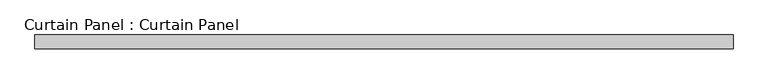
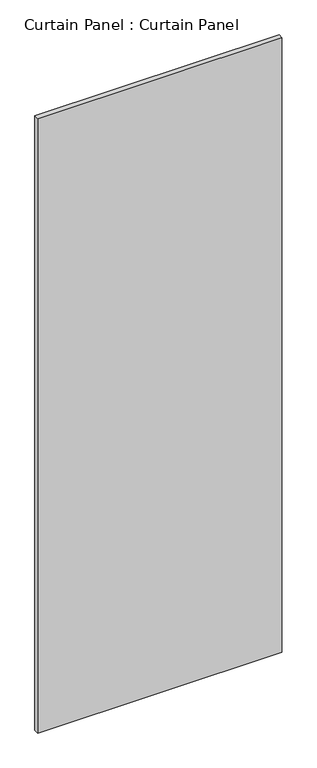
"""IFC4 building model written with IfcOpenShell, lengths in millimetres: plate geometry, Curtain Panel : Curtain Panel."""

from ifc_helpers import new_model, si_unit, frame, origin, place, context, project, spatial, polyline, outline, extrude, source, transform, mapped, element, save


def curtain_panel_curtain_panel_a46a2b35(model_context):
    return source(origin(), model_context, "Body", "SweptSolid", [
        extrude(outline(polyline([(-55742.9778964, -2002.0203599), (-57023.514576, -2002.0203599), (-57023.514576, -1976.6203599), (-55742.9778964, -1976.6203599), (-55742.9778964, -2002.0203599)])), frame((0.0, 0.0, 2734.9820395), z_axis=(0.0, 0.0, 1.0), x_axis=(1.0, 0.0, 0.0)), (0.0, 0.0, 1.0), 3406.7631582),
    ])


if __name__ == "__main__":
    model = new_model("IFC4")
    model_context = context("Model", 3, world=origin())
    ifc_project = project(units=[si_unit("LENGTHUNIT", "METRE", prefix="MILLI")], contexts=[model_context])
    site = spatial("IfcSite", under=ifc_project)
    building = spatial("IfcBuilding", under=site)
    placement = place(None, origin())
    curtain_panel_curtain_panel_shape = curtain_panel_curtain_panel_a46a2b35(model_context)
    element("IfcPlate", 1, ObjectType="Curtain Panel : Curtain Panel", at=placement, inside=building, context=model_context, shape_type="MappedRepresentation", body=[
        mapped(curtain_panel_curtain_panel_shape, transform((0.0, 0.0, 0.0), x_axis=(1.0, 0.0, 0.0), y_axis=(0.0, 1.0, 0.0), z_axis=(0.0, 0.0, 1.0))),
    ])
    save(model, "model.ifc")
